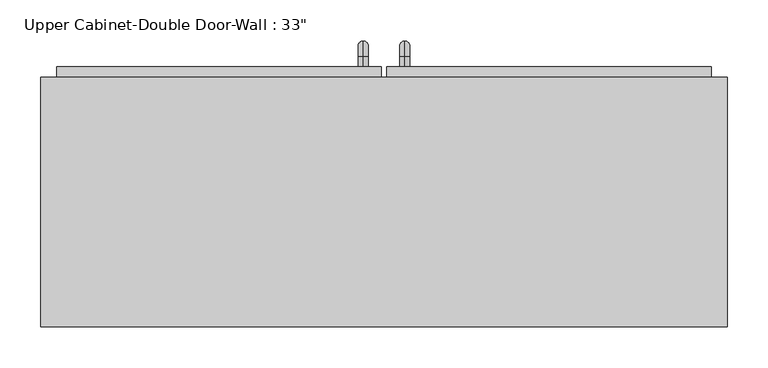
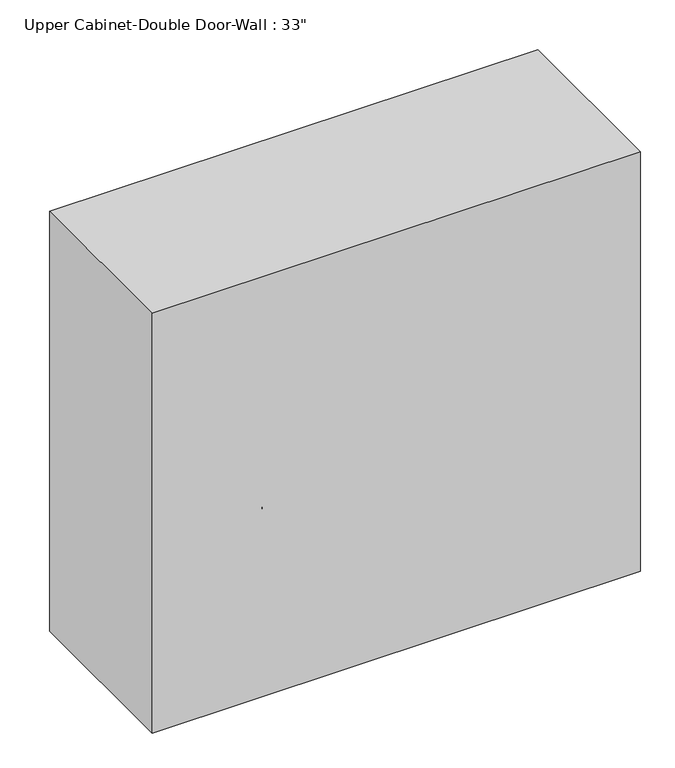
"""IFC4 building model written with IfcOpenShell, lengths in millimetres: furniture geometry."""

from ifc_helpers import new_model, si_unit, point, frame, origin, place, context, project, spatial, polyline, circle_curve, ellipse_curve, trimmed, outline, extrude, faceted_brep, source, transform, mapped, element, save
from ifc_brep_helpers import plane_surface, cylinder_surface, revolved_surface, advanced_brep


def furniture_d9006eea(model_context):
    return source(origin(), model_context, "Body", "SolidModel", [
        faceted_brep([(-389.3288372, 61.9125, 2133.6), (-389.3288372, 61.9125, 1371.6), (448.8711628, 61.9125, 1371.6), (448.8711628, 61.9125, 2133.6), (-389.3288372, 366.7125, 2133.6), (448.8711628, 366.7125, 2133.6), (448.8711628, 366.7125, 1371.6), (-389.3288372, 366.7125, 1371.6), (-370.2788372, 366.7125, 2114.55), (-370.2788372, 366.7125, 1390.65), (429.8211628, 366.7125, 1390.65), (429.8211628, 366.7125, 2114.55), (429.8211628, 80.9625, 2114.55), (-370.2788372, 80.9625, 2114.55), (429.8211628, 80.9625, 1390.65), (-370.2788372, 80.9625, 1390.65)], [[[0, 1, 2, 3]], [[4, 5, 6, 7], [8, 9, 10, 11]], [[1, 0, 4, 7]], [[2, 1, 7, 6]], [[3, 2, 6, 5]], [[0, 3, 5, 4]], [[8, 11, 12, 13]], [[11, 10, 14, 12]], [[10, 9, 15, 14]], [[9, 8, 13, 15]], [[13, 12, 14, 15]]]),
        advanced_brep(
        [(55.1711628, 379.4125, 1517.65), (55.1711628, 379.4125, 1530.35), (55.1711628, 392.1125, 1517.65), (55.1711628, 392.1125, 1530.35), (55.1711628, 411.1625, 1511.3), (55.1711628, 398.4625, 1511.3), (55.1711628, 398.4625, 1435.1), (55.1711628, 411.1625, 1435.1), (55.1711628, 392.1125, 1416.05), (55.1711628, 392.1125, 1428.75), (55.1711628, 379.4125, 1428.75), (55.1711628, 379.4125, 1416.05)],
        [
            (0, 1, circle_curve(frame((55.1711628, 379.4125, 1524.0), z_axis=(0.0, -1.0, 0.0), x_axis=(0.0, 0.0, -1.0)), 6.35)),
            (1, 0, circle_curve(frame((55.1711628, 379.4125, 1524.0), z_axis=(0.0, -1.0, 0.0), x_axis=(0.0, 0.0, -1.0)), 6.35)),
            (0, 2),
            (2, 3, circle_curve(frame((55.1711628, 392.1125, 1524.0), z_axis=(0.0, -1.0, 0.0), x_axis=(0.0, 0.0, -1.0)), 6.35)),
            (3, 1),
            (3, 2, circle_curve(frame((55.1711628, 392.1125, 1524.0), z_axis=(0.0, -1.0, 0.0), x_axis=(0.0, 0.0, -1.0)), 6.35)),
            (4, 3, circle_curve(frame((55.1711628, 392.1125, 1511.3), z_axis=(1.0, 0.0, 0.0), x_axis=(0.0, 0.0, 1.0)), 19.05)),
            (2, 5, circle_curve(frame((55.1711628, 392.1125, 1511.3), z_axis=(-1.0, 0.0, 0.0), x_axis=(0.0, 0.0, 1.0)), 6.35)),
            (5, 4, circle_curve(frame((55.1711628, 404.8125, 1511.3), z_axis=(0.0, 0.0, 1.0), x_axis=(0.0, -1.0, 0.0)), 6.35)),
            (4, 5, circle_curve(frame((55.1711628, 404.8125, 1511.3), z_axis=(0.0, 0.0, 1.0), x_axis=(0.0, -1.0, 0.0)), 6.35)),
            (5, 6),
            (6, 7, circle_curve(frame((55.1711628, 404.8125, 1435.1), z_axis=(0.0, 0.0, 1.0), x_axis=(0.0, -1.0, 0.0)), 6.35)),
            (7, 4),
            (7, 6, circle_curve(frame((55.1711628, 404.8125, 1435.1), z_axis=(0.0, 0.0, 1.0), x_axis=(0.0, -1.0, 0.0)), 6.35)),
            (8, 7, circle_curve(frame((55.1711628, 392.1125, 1435.1), z_axis=(1.0, 0.0, 0.0), x_axis=(0.0, 1.0, 0.0)), 19.05)),
            (6, 9, circle_curve(frame((55.1711628, 392.1125, 1435.1), z_axis=(-1.0, 0.0, 0.0), x_axis=(0.0, 1.0, 0.0)), 6.35)),
            (9, 8, circle_curve(frame((55.1711628, 392.1125, 1422.4), z_axis=(0.0, 1.0, 0.0), x_axis=(0.0, 0.0, 1.0)), 6.35)),
            (8, 9, circle_curve(frame((55.1711628, 392.1125, 1422.4), z_axis=(0.0, 1.0, 0.0), x_axis=(0.0, 0.0, 1.0)), 6.35)),
            (10, 11, circle_curve(frame((55.1711628, 379.4125, 1422.4), z_axis=(0.0, -1.0, 0.0), x_axis=(0.0, 0.0, 1.0)), 6.35)),
            (11, 10, circle_curve(frame((55.1711628, 379.4125, 1422.4), z_axis=(0.0, -1.0, 0.0), x_axis=(0.0, 0.0, 1.0)), 6.35)),
            (9, 10),
            (11, 8),
        ],
        [
            plane_surface(frame((48.8211628, 379.4125, 1524.0), z_axis=(0.0, -1.0, 0.0), x_axis=(0.0, 0.0, 1.0))),
            cylinder_surface(frame((55.1711628, 379.4125, 1524.0), z_axis=(0.0, -1.0, 0.0), x_axis=(0.0, 0.0, -1.0)), 6.35),
            revolved_surface(trimmed(ellipse_curve(frame((55.1711628, 392.1125, 1524.0), z_axis=(0.0, -1.0, 0.0), x_axis=(0.0, 0.0, -1.0)), 6.35, 6.35), [point((55.1711628, 392.1125, 1517.65))], [point((55.1711628, 392.1125, 1530.35))], True, "CARTESIAN"), (55.1711628, 392.1125, 1511.3), (-1.0, 0.0, 0.0)),
            revolved_surface(trimmed(ellipse_curve(frame((55.1711628, 392.1125, 1524.0), z_axis=(0.0, -1.0, 0.0), x_axis=(0.0, 0.0, -1.0)), 6.35, 6.35), [point((55.1711628, 392.1125, 1530.35))], [point((55.1711628, 392.1125, 1517.65))], True, "CARTESIAN"), (55.1711628, 392.1125, 1511.3), (-1.0, 0.0, 0.0)),
            cylinder_surface(frame((55.1711628, 404.8125, 1511.3), z_axis=(0.0, 0.0, 1.0), x_axis=(0.0, -1.0, 0.0)), 6.35),
            revolved_surface(trimmed(ellipse_curve(frame((55.1711628, 404.8125, 1435.1), z_axis=(0.0, 0.0, 1.0), x_axis=(0.0, -1.0, 0.0)), 6.35, 6.35), [point((55.1711628, 398.4625, 1435.1))], [point((55.1711628, 411.1625, 1435.1))], True, "CARTESIAN"), (55.1711628, 392.1125, 1435.1), (-1.0, 0.0, 0.0)),
            revolved_surface(trimmed(ellipse_curve(frame((55.1711628, 404.8125, 1435.1), z_axis=(0.0, 0.0, 1.0), x_axis=(0.0, -1.0, 0.0)), 6.35, 6.35), [point((55.1711628, 411.1625, 1435.1))], [point((55.1711628, 398.4625, 1435.1))], True, "CARTESIAN"), (55.1711628, 392.1125, 1435.1), (-1.0, 0.0, 0.0)),
            plane_surface(frame((48.8211628, 379.4125, 1422.4), z_axis=(0.0, -1.0, 0.0), x_axis=(0.0, 0.0, -1.0))),
            cylinder_surface(frame((55.1711628, 392.1125, 1422.4), z_axis=(0.0, 1.0, 0.0), x_axis=(0.0, 0.0, 1.0)), 6.35),
        ],
        [
            (0, [[1, 2]]),
            (1, [[-1, 3, 4, 5]]),
            (1, [[-2, -5, 6, -3]]),
            (2, [[7, -4, 8, 9]]),
            (3, [[-8, -6, -7, 10]]),
            (4, [[-9, 11, 12, 13]]),
            (4, [[-10, -13, 14, -11]]),
            (5, [[15, -12, 16, 17]]),
            (6, [[-16, -14, -15, 18]]),
            (7, [[19, 20]]),
            (8, [[-17, 21, -20, 22]]),
            (8, [[-18, -22, -19, -21]]),
        ],
    ),
        advanced_brep(
        [(4.3711628, 379.4125, 1517.65), (4.3711628, 379.4125, 1530.35), (4.3711628, 392.1125, 1517.65), (4.3711628, 392.1125, 1530.35), (4.3711628, 411.1625, 1511.3), (4.3711628, 398.4625, 1511.3), (4.3711628, 398.4625, 1435.1), (4.3711628, 411.1625, 1435.1), (4.3711628, 392.1125, 1416.05), (4.3711628, 392.1125, 1428.75), (4.3711628, 379.4125, 1428.75), (4.3711628, 379.4125, 1416.05)],
        [
            (0, 1, circle_curve(frame((4.3711628, 379.4125, 1524.0), z_axis=(0.0, -1.0, 0.0), x_axis=(0.0, 0.0, 1.0)), 6.35)),
            (1, 0, circle_curve(frame((4.3711628, 379.4125, 1524.0), z_axis=(0.0, -1.0, 0.0), x_axis=(0.0, 0.0, 1.0)), 6.35)),
            (0, 2),
            (2, 3, circle_curve(frame((4.3711628, 392.1125, 1524.0), z_axis=(0.0, -1.0, 0.0), x_axis=(0.0, 0.0, 1.0)), 6.35)),
            (3, 1),
            (3, 2, circle_curve(frame((4.3711628, 392.1125, 1524.0), z_axis=(0.0, -1.0, 0.0), x_axis=(0.0, 0.0, 1.0)), 6.35)),
            (4, 3, circle_curve(frame((4.3711628, 392.1125, 1511.3), z_axis=(1.0, 0.0, 0.0), x_axis=(0.0, 0.0, 1.0)), 19.05)),
            (2, 5, circle_curve(frame((4.3711628, 392.1125, 1511.3), z_axis=(-1.0, 0.0, 0.0), x_axis=(0.0, 0.0, 1.0)), 6.35)),
            (5, 4, circle_curve(frame((4.3711628, 404.8125, 1511.3), z_axis=(0.0, 0.0, 1.0), x_axis=(0.0, 1.0, 0.0)), 6.35)),
            (4, 5, circle_curve(frame((4.3711628, 404.8125, 1511.3), z_axis=(0.0, 0.0, 1.0), x_axis=(0.0, 1.0, 0.0)), 6.35)),
            (5, 6),
            (6, 7, circle_curve(frame((4.3711628, 404.8125, 1435.1), z_axis=(0.0, 0.0, 1.0), x_axis=(0.0, 1.0, 0.0)), 6.35)),
            (7, 4),
            (7, 6, circle_curve(frame((4.3711628, 404.8125, 1435.1), z_axis=(0.0, 0.0, 1.0), x_axis=(0.0, 1.0, 0.0)), 6.35)),
            (8, 7, circle_curve(frame((4.3711628, 392.1125, 1435.1), z_axis=(1.0, 0.0, 0.0), x_axis=(0.0, 1.0, 0.0)), 19.05)),
            (6, 9, circle_curve(frame((4.3711628, 392.1125, 1435.1), z_axis=(-1.0, 0.0, 0.0), x_axis=(0.0, 1.0, 0.0)), 6.35)),
            (9, 8, circle_curve(frame((4.3711628, 392.1125, 1422.4), z_axis=(0.0, 1.0, 0.0), x_axis=(0.0, 0.0, -1.0)), 6.35)),
            (8, 9, circle_curve(frame((4.3711628, 392.1125, 1422.4), z_axis=(0.0, 1.0, 0.0), x_axis=(0.0, 0.0, -1.0)), 6.35)),
            (10, 11, circle_curve(frame((4.3711628, 379.4125, 1422.4), z_axis=(0.0, -1.0, 0.0), x_axis=(0.0, 0.0, -1.0)), 6.35)),
            (11, 10, circle_curve(frame((4.3711628, 379.4125, 1422.4), z_axis=(0.0, -1.0, 0.0), x_axis=(0.0, 0.0, -1.0)), 6.35)),
            (9, 10),
            (11, 8),
        ],
        [
            plane_surface(frame((-1.9788372, 379.4125, 1524.0), z_axis=(0.0, -1.0, 0.0), x_axis=(0.0, 0.0, 1.0))),
            cylinder_surface(frame((4.3711628, 379.4125, 1524.0), z_axis=(0.0, -1.0, 0.0), x_axis=(0.0, 0.0, 1.0)), 6.35),
            revolved_surface(trimmed(ellipse_curve(frame((4.3711628, 392.1125, 1524.0), z_axis=(0.0, -1.0, 0.0), x_axis=(0.0, 0.0, 1.0)), 6.35, 6.35), [point((4.3711628, 392.1125, 1517.65))], [point((4.3711628, 392.1125, 1530.35))], True, "CARTESIAN"), (4.3711628, 392.1125, 1511.3), (-1.0, 0.0, 0.0)),
            revolved_surface(trimmed(ellipse_curve(frame((4.3711628, 392.1125, 1524.0), z_axis=(0.0, -1.0, 0.0), x_axis=(0.0, 0.0, 1.0)), 6.35, 6.35), [point((4.3711628, 392.1125, 1530.35))], [point((4.3711628, 392.1125, 1517.65))], True, "CARTESIAN"), (4.3711628, 392.1125, 1511.3), (-1.0, 0.0, 0.0)),
            cylinder_surface(frame((4.3711628, 404.8125, 1511.3), z_axis=(0.0, 0.0, 1.0), x_axis=(0.0, 1.0, 0.0)), 6.35),
            revolved_surface(trimmed(ellipse_curve(frame((4.3711628, 404.8125, 1435.1), z_axis=(0.0, 0.0, 1.0), x_axis=(0.0, 1.0, 0.0)), 6.35, 6.35), [point((4.3711628, 398.4625, 1435.1))], [point((4.3711628, 411.1625, 1435.1))], True, "CARTESIAN"), (4.3711628, 392.1125, 1435.1), (-1.0, 0.0, 0.0)),
            revolved_surface(trimmed(ellipse_curve(frame((4.3711628, 404.8125, 1435.1), z_axis=(0.0, 0.0, 1.0), x_axis=(0.0, 1.0, 0.0)), 6.35, 6.35), [point((4.3711628, 411.1625, 1435.1))], [point((4.3711628, 398.4625, 1435.1))], True, "CARTESIAN"), (4.3711628, 392.1125, 1435.1), (-1.0, 0.0, 0.0)),
            plane_surface(frame((-1.9788372, 379.4125, 1422.4), z_axis=(0.0, -1.0, 0.0), x_axis=(0.0, 0.0, -1.0))),
            cylinder_surface(frame((4.3711628, 392.1125, 1422.4), z_axis=(0.0, 1.0, 0.0), x_axis=(0.0, 0.0, -1.0)), 6.35),
        ],
        [
            (0, [[1, 2]]),
            (1, [[-1, 3, 4, 5]]),
            (1, [[-2, -5, 6, -3]]),
            (2, [[7, -4, 8, 9]]),
            (3, [[-8, -6, -7, 10]]),
            (4, [[-9, 11, 12, 13]]),
            (4, [[-10, -13, 14, -11]]),
            (5, [[15, -12, 16, 17]]),
            (6, [[-16, -14, -15, 18]]),
            (7, [[19, 20]]),
            (8, [[-17, 21, -20, 22]]),
            (8, [[-18, -22, -19, -21]]),
        ],
    ),
        extrude(outline(polyline([(32.9461628, 379.4125), (429.8211628, 379.4125), (429.8211628, 347.6625), (32.9461628, 347.6625), (32.9461628, 379.4125)])), frame((0.0, 0.0, 1390.65), z_axis=(0.0, 0.0, 1.0), x_axis=(1.0, 0.0, 0.0)), (0.0, 0.0, 1.0), 723.9),
        extrude(outline(polyline([(-370.2788372, 379.4125), (26.5961628, 379.4125), (26.5961628, 347.6625), (-370.2788372, 347.6625), (-370.2788372, 379.4125)])), frame((0.0, 0.0, 1390.65), z_axis=(0.0, 0.0, 1.0), x_axis=(1.0, 0.0, 0.0)), (0.0, 0.0, 1.0), 723.9),
    ])


if __name__ == "__main__":
    model = new_model("IFC4")
    model_context = context("Model", 3, world=origin())
    ifc_project = project(units=[si_unit("LENGTHUNIT", "METRE", prefix="MILLI")], contexts=[model_context])
    site = spatial("IfcSite", under=ifc_project)
    building = spatial("IfcBuilding", under=site)
    placement = place(None, origin())
    furniture_shape = furniture_d9006eea(model_context)
    element("IfcFurniture", 1, ObjectType="Upper Cabinet-Double Door-Wall : 33\"", at=placement, inside=building, context=model_context, shape_type="MappedRepresentation", body=[
        mapped(furniture_shape, transform((0.0, 0.0, 0.0), x_axis=(1.0, 0.0, 0.0), y_axis=(0.0, 1.0, 0.0), z_axis=(0.0, 0.0, 1.0))),
    ])
    save(model, "model.ifc")
